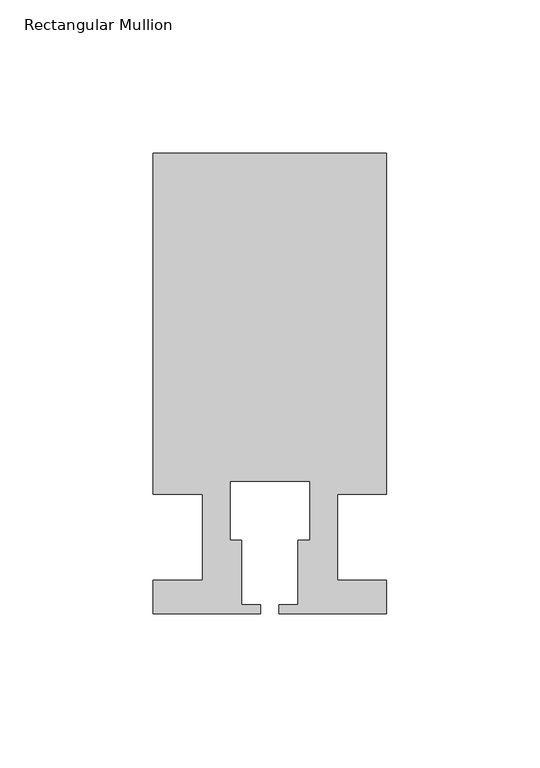
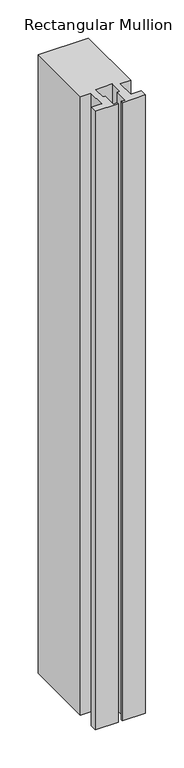
"""IFC4 building model written with IfcOpenShell, lengths in millimetres: member geometry, Rectangular Mullion."""

from ifc_helpers import new_model, si_unit, frame, origin, place, context, project, spatial, polyline, outline, extrude, source, transform, mapped, element, save


def rectangular_mullion_1f45e046(model_context):
    return source(origin(), model_context, "Body", "SweptSolid", [
        extrude(outline(polyline([(37.9999914, 124.9960123), (37.9999914, 13.9960123), (21.9999651, 13.9960123), (21.9999651, -14.0039877), (37.9999896, -14.0039877), (37.9999896, -25.0039877), (2.9999651, -25.0039877), (2.9999651, -22.0039877), (9.1999651, -22.0039877), (9.1999651, -1.0039877), (12.9999651, -1.0039877), (12.9999651, 18.1960075), (-12.9999633, 18.1960075), (-12.9999633, -1.0039877), (-9.1999633, -1.0039877), (-9.1999633, -22.0039877), (-2.9999896, -22.0039877), (-2.9999896, -25.0039877), (-37.9999896, -25.0039877), (-37.9999896, -14.0039877), (-21.9999633, -14.0039877), (-21.9999633, 13.9959029), (-37.9999896, 13.9959029), (-37.9999896, 124.9960123), (37.9999914, 124.9960123)])), frame((0.0, 0.0, -990.6623342), z_axis=(0.0, 0.0, 1.0), x_axis=(1.0, 0.0, 0.0)), (0.0, 0.0, 1.0), 990.6623342),
    ])


if __name__ == "__main__":
    model = new_model("IFC4")
    model_context = context("Model", 3, world=origin())
    ifc_project = project(units=[si_unit("LENGTHUNIT", "METRE", prefix="MILLI")], contexts=[model_context])
    site = spatial("IfcSite", under=ifc_project)
    building = spatial("IfcBuilding", under=site)
    placement = place(None, origin())
    rectangular_mullion_shape = rectangular_mullion_1f45e046(model_context)
    element("IfcMember", 1, ObjectType="Rectangular Mullion", at=placement, inside=building, context=model_context, shape_type="MappedRepresentation", body=[
        mapped(rectangular_mullion_shape, transform((0.0, 0.0, 0.0), x_axis=(1.0, 0.0, 0.0), y_axis=(0.0, 1.0, 0.0), z_axis=(0.0, 0.0, 1.0))),
    ])
    save(model, "model.ifc")
